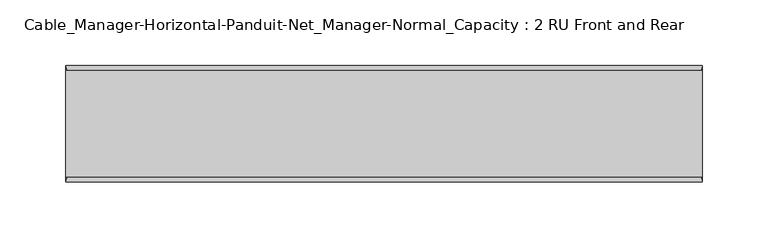
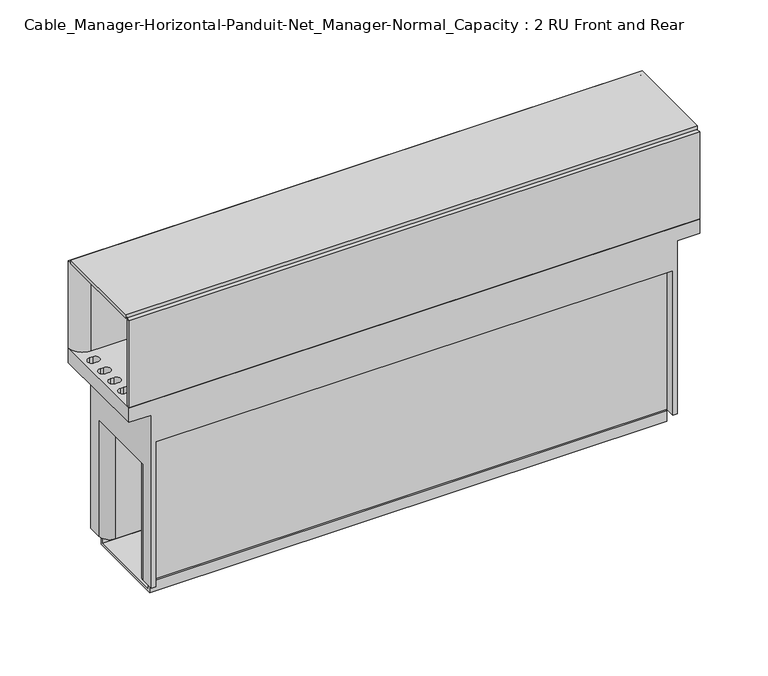
"""IFC4 building model written with IfcOpenShell, lengths in millimetres: electric appliance geometry, Cable_Manager-Horizontal-Panduit-Net_Manager-Normal_Capacity : 2 RU Front and Rear."""

from ifc_helpers import new_model, si_unit, point, frame, frame_2d, origin, place, context, project, spatial, polyline, circle_curve, trimmed, segment, composite_curve, outline, extrude, faceted_brep, source, transform, mapped, element, save
from ifc_brep_helpers import plane_surface, cylinder_surface, revolved_surface, advanced_brep


def cable_manager_horizontal_panduit_net_manager_normal_capacity_e5728ca2(model_context):
    return source(origin(), model_context, "Body", "SolidModel", [
        extrude(outline(polyline([(241.3, 18.034), (241.3, -62.484), (-241.3, -62.484), (-241.3, 18.034), (241.3, 18.034)])), frame((0.0, 0.0, 90.805), z_axis=(0.0, 0.0, 1.0), x_axis=(1.0, 0.0, 0.0)), (0.0, 0.0, 1.0), 3.175),
        advanced_brep(
        [(-241.3298424, -66.294, 0.0), (-222.2621883, -66.294, 0.0), (-222.2621883, -66.294, -154.686), (-218.5125045, -66.294, -154.686), (-218.5125045, -66.294, -50.8), (-218.5125045, -66.294, -25.4), (218.5003162, -66.294, -25.4006621), (218.5003162, -66.294, -50.8), (218.5003162, -66.294, -154.686), (222.25, -66.294, -154.686), (222.25, -66.294, 0.0), (241.3, -66.294, 0.0), (241.3, -66.294, 12.7), (-241.3298424, -66.294, 12.7), (-241.3298424, 21.844, 0.0), (-241.3298424, 21.844, 12.7), (241.3, 21.844, 12.7), (241.3, 21.844, 0.0), (222.25, 21.844, 0.0), (222.25, 21.844, -154.686), (218.5003162, 21.844, -154.686), (218.5003162, 21.844, -50.8), (218.5003162, 21.844, -25.4), (-218.5125045, 21.844, -25.4006621), (-218.5125045, 21.844, -50.8), (-218.5125045, 21.844, -154.686), (-222.2621883, 21.844, -154.686), (-222.2621883, 21.844, 0.0), (-230.9761586, -27.1145, 12.7), (-230.9761586, -34.2265, 12.7), (-234.0241586, -34.2265, 12.7), (-234.0241586, -27.1145, 12.7), (-230.9761586, -41.402, 12.7), (-230.9761586, -48.514, 12.7), (-234.0241586, -48.514, 12.7), (-234.0241586, -41.402, 12.7), (-230.9761586, 3.556, 12.7), (-230.9761586, -3.556, 12.7), (-234.0241586, -3.556, 12.7), (-234.0241586, 3.556, 12.7), (-230.9761586, -12.319, 12.7), (-230.9761586, -19.431, 12.7), (-234.0241586, -19.431, 12.7), (-234.0241586, -12.319, 12.7), (-147.9671883, -3.048, 12.7), (-71.7671883, -3.048, 12.7), (-71.7671883, -41.148, 12.7), (-147.9671883, -41.148, 12.7), (147.9428117, -41.148, 12.7), (71.7428117, -41.148, 12.7), (71.7428117, -3.048, 12.7), (147.9428117, -3.048, 12.7), (230.9761586, -34.2265, 12.7), (230.9761586, -27.1145, 12.7), (234.0241586, -27.1145, 12.7), (234.0241586, -34.2265, 12.7), (230.9761586, -48.514, 12.7), (230.9761586, -41.402, 12.7), (234.0241586, -41.402, 12.7), (234.0241586, -48.514, 12.7), (230.9761586, -3.556, 12.7), (230.9761586, 3.556, 12.7), (234.0241586, 3.556, 12.7), (234.0241586, -3.556, 12.7), (230.9761586, -19.431, 12.7), (230.9761586, -12.319, 12.7), (234.0241586, -12.319, 12.7), (234.0241586, -19.431, 12.7), (230.9761586, -27.1145, 0.0), (230.9761586, -34.2265, 0.0), (234.0241586, -34.2265, 0.0), (234.0241586, -27.1145, 0.0), (230.9761586, -41.402, 0.0), (230.9761586, -48.514, 0.0), (234.0241586, -48.514, 0.0), (234.0241586, -41.402, 0.0), (230.9761586, 3.556, 0.0), (230.9761586, -3.556, 0.0), (234.0241586, -3.556, 0.0), (234.0241586, 3.556, 0.0), (230.9761586, -12.319, 0.0), (230.9761586, -19.431, 0.0), (234.0241586, -19.431, 0.0), (234.0241586, -12.319, 0.0), (-218.5125045, -57.404, -25.4006621), (218.5003162, -57.404, -25.4006621), (218.5003162, 12.954, -25.4006621), (-218.5125045, 12.954, -25.4006621), (-213.3319978, 1.4838095, -25.4006621), (213.3198095, 1.4838095, -25.4006621), (218.5003162, 3.1400291, -25.4006621), (218.5003162, -47.5900291, -25.4006621), (213.3198095, -45.9338095, -25.4006621), (-213.3319978, -45.9338095, -25.4006621), (-218.5125045, -47.5900291, -25.4006621), (-218.5125045, 3.1400291, -25.4006621), (-71.7671883, -3.048, -25.4006621), (-147.9671883, -3.048, -25.4006621), (-147.9671883, -41.148, -25.4006621), (-71.7671883, -41.148, -25.4006621), (71.7428117, -41.148, -25.4006621), (147.9428117, -41.148, -25.4006621), (147.9428117, -3.048, -25.4006621), (71.7428117, -3.048, -25.4006621), (-222.2621883, 10.414, -154.686), (-222.2621883, 10.414, -50.8), (-222.2621883, -54.864, -50.8), (-222.2621883, -54.864, -154.686), (-230.9761586, -34.2265, 0.0), (-230.9761586, -27.1145, 0.0), (-234.0241586, -27.1145, 0.0), (-234.0241586, -34.2265, 0.0), (-230.9761586, -48.514, 0.0), (-230.9761586, -41.402, 0.0), (-234.0241586, -41.402, 0.0), (-234.0241586, -48.514, 0.0), (-230.9761586, -3.556, 0.0), (-230.9761586, 3.556, 0.0), (-234.0241586, 3.556, 0.0), (-234.0241586, -3.556, 0.0), (-230.9761586, -19.431, 0.0), (-230.9761586, -12.319, 0.0), (-234.0241586, -12.319, 0.0), (-234.0241586, -19.431, 0.0), (222.25, -54.864, -154.686), (222.25, -54.864, -50.8), (222.25, 10.414, -50.8), (222.25, 10.414, -154.686), (-218.5125045, 12.954, -154.686), (218.5003162, 12.954, -154.686), (213.3198095, 1.4838095, -154.686), (-213.3319978, 1.4838095, -154.686), (-213.3319978, -45.9338095, -154.686), (213.3198095, -45.9338095, -154.686), (218.5003162, -57.404, -154.686), (-218.5125045, -57.404, -154.686), (-218.5125045, 3.1400291, -50.8), (218.5003162, 3.1400291, -50.8), (218.5003162, 12.954, -50.8), (-218.5125045, 12.954, -50.8), (-218.5125045, -57.404, -50.8), (218.5003162, -57.404, -50.8), (218.5003162, -47.5900291, -50.8), (-218.5125045, -47.5900291, -50.8)],
        [
            (0, 1),
            (1, 2),
            (2, 3),
            (3, 4),
            (4, 5),
            (5, 6),
            (6, 7),
            (7, 8),
            (8, 9),
            (9, 10),
            (10, 11),
            (11, 12),
            (12, 13),
            (13, 0),
            (14, 15),
            (15, 16),
            (16, 17),
            (17, 18),
            (18, 19),
            (19, 20),
            (20, 21),
            (21, 22),
            (22, 23),
            (23, 24),
            (24, 25),
            (25, 26),
            (26, 27),
            (27, 14),
            (13, 15),
            (14, 0),
            (12, 16),
            (28, 29, circle_curve(frame((-230.9761586, -30.6705, 12.7), z_axis=(0.0, 0.0, -1.0), x_axis=(0.0, 1.0, 0.0)), 3.556)),
            (29, 30),
            (30, 31, circle_curve(frame((-234.0241586, -30.6705, 12.7), z_axis=(0.0, 0.0, -1.0), x_axis=(0.0, 1.0, 0.0)), 3.556)),
            (31, 28),
            (32, 33, circle_curve(frame((-230.9761586, -44.958, 12.7), z_axis=(0.0, 0.0, -1.0), x_axis=(0.0, 1.0, 0.0)), 3.556)),
            (33, 34),
            (34, 35, circle_curve(frame((-234.0241586, -44.958, 12.7), z_axis=(0.0, 0.0, -1.0), x_axis=(0.0, 1.0, 0.0)), 3.556)),
            (35, 32),
            (36, 37, circle_curve(frame((-230.9761586, 0.0, 12.7), z_axis=(0.0, 0.0, -1.0), x_axis=(0.0, 1.0, 0.0)), 3.556)),
            (37, 38),
            (38, 39, circle_curve(frame((-234.0241586, 0.0, 12.7), z_axis=(0.0, 0.0, -1.0), x_axis=(0.0, 1.0, 0.0)), 3.556)),
            (39, 36),
            (40, 41, circle_curve(frame((-230.9761586, -15.875, 12.7), z_axis=(0.0, 0.0, -1.0), x_axis=(0.0, 1.0, 0.0)), 3.556)),
            (41, 42),
            (42, 43, circle_curve(frame((-234.0241586, -15.875, 12.7), z_axis=(0.0, 0.0, -1.0), x_axis=(0.0, 1.0, 0.0)), 3.556)),
            (43, 40),
            (44, 45),
            (45, 46),
            (46, 47),
            (47, 44),
            (48, 49),
            (49, 50),
            (50, 51),
            (51, 48),
            (52, 53, circle_curve(frame((230.9761586, -30.6705, 12.7), z_axis=(0.0, 0.0, -1.0), x_axis=(0.0, 1.0, 0.0)), 3.556)),
            (53, 54),
            (54, 55, circle_curve(frame((234.0241586, -30.6705, 12.7), z_axis=(0.0, 0.0, -1.0), x_axis=(0.0, 1.0, 0.0)), 3.556)),
            (55, 52),
            (56, 57, circle_curve(frame((230.9761586, -44.958, 12.7), z_axis=(0.0, 0.0, -1.0), x_axis=(0.0, 1.0, 0.0)), 3.556)),
            (57, 58),
            (58, 59, circle_curve(frame((234.0241586, -44.958, 12.7), z_axis=(0.0, 0.0, -1.0), x_axis=(0.0, 1.0, 0.0)), 3.556)),
            (59, 56),
            (60, 61, circle_curve(frame((230.9761586, 0.0, 12.7), z_axis=(0.0, 0.0, -1.0), x_axis=(0.0, 1.0, 0.0)), 3.556)),
            (61, 62),
            (62, 63, circle_curve(frame((234.0241586, 0.0, 12.7), z_axis=(0.0, 0.0, -1.0), x_axis=(0.0, 1.0, 0.0)), 3.556)),
            (63, 60),
            (64, 65, circle_curve(frame((230.9761586, -15.875, 12.7), z_axis=(0.0, 0.0, -1.0), x_axis=(0.0, 1.0, 0.0)), 3.556)),
            (65, 66),
            (66, 67, circle_curve(frame((234.0241586, -15.875, 12.7), z_axis=(0.0, 0.0, -1.0), x_axis=(0.0, 1.0, 0.0)), 3.556)),
            (67, 64),
            (11, 17),
            (10, 18),
            (68, 69, circle_curve(frame((230.9761586, -30.6705, 0.0), z_axis=(0.0, 0.0, 1.0), x_axis=(0.0, 1.0, 0.0)), 3.556)),
            (69, 70),
            (70, 71, circle_curve(frame((234.0241586, -30.6705, 0.0), z_axis=(0.0, 0.0, 1.0), x_axis=(0.0, 1.0, 0.0)), 3.556)),
            (71, 68),
            (72, 73, circle_curve(frame((230.9761586, -44.958, 0.0), z_axis=(0.0, 0.0, 1.0), x_axis=(0.0, 1.0, 0.0)), 3.556)),
            (73, 74),
            (74, 75, circle_curve(frame((234.0241586, -44.958, 0.0), z_axis=(0.0, 0.0, 1.0), x_axis=(0.0, 1.0, 0.0)), 3.556)),
            (75, 72),
            (76, 77, circle_curve(frame((230.9761586, 0.0, 0.0), z_axis=(0.0, 0.0, 1.0), x_axis=(0.0, 1.0, 0.0)), 3.556)),
            (77, 78),
            (78, 79, circle_curve(frame((234.0241586, 0.0, 0.0), z_axis=(0.0, 0.0, 1.0), x_axis=(0.0, 1.0, 0.0)), 3.556)),
            (79, 76),
            (80, 81, circle_curve(frame((230.9761586, -15.875, 0.0), z_axis=(0.0, 0.0, 1.0), x_axis=(0.0, 1.0, 0.0)), 3.556)),
            (81, 82),
            (82, 83, circle_curve(frame((234.0241586, -15.875, 0.0), z_axis=(0.0, 0.0, 1.0), x_axis=(0.0, 1.0, 0.0)), 3.556)),
            (83, 80),
            (5, 84),
            (84, 85),
            (85, 6),
            (22, 86),
            (86, 87),
            (87, 23),
            (88, 89),
            (89, 90, circle_curve(frame((213.3198095, 10.414, -25.4006621), z_axis=(0.0, 0.0, 1.0), x_axis=(1.0, 0.0, 0.0)), 8.9301905)),
            (90, 91),
            (91, 92, circle_curve(frame((213.3198095, -54.864, -25.4006621), z_axis=(0.0, 0.0, 1.0), x_axis=(1.0, 0.0, 0.0)), 8.9301905)),
            (92, 93),
            (93, 94, circle_curve(frame((-213.3319978, -54.864, -25.4006621), z_axis=(0.0, 0.0, 1.0), x_axis=(1.0, 0.0, 0.0)), 8.9301905)),
            (94, 95),
            (95, 88, circle_curve(frame((-213.3319978, 10.414, -25.4006621), z_axis=(0.0, 0.0, 1.0), x_axis=(1.0, 0.0, 0.0)), 8.9301905)),
            (96, 97),
            (97, 98),
            (98, 99),
            (99, 96),
            (100, 101),
            (101, 102),
            (102, 103),
            (103, 100),
            (1, 27),
            (26, 104),
            (104, 105),
            (105, 106),
            (106, 107),
            (107, 2),
            (108, 109, circle_curve(frame((-230.9761586, -30.6705, 0.0), z_axis=(0.0, 0.0, 1.0), x_axis=(0.0, 1.0, 0.0)), 3.556)),
            (109, 110),
            (110, 111, circle_curve(frame((-234.0241586, -30.6705, 0.0), z_axis=(0.0, 0.0, 1.0), x_axis=(0.0, 1.0, 0.0)), 3.556)),
            (111, 108),
            (112, 113, circle_curve(frame((-230.9761586, -44.958, 0.0), z_axis=(0.0, 0.0, 1.0), x_axis=(0.0, 1.0, 0.0)), 3.556)),
            (113, 114),
            (114, 115, circle_curve(frame((-234.0241586, -44.958, 0.0), z_axis=(0.0, 0.0, 1.0), x_axis=(0.0, 1.0, 0.0)), 3.556)),
            (115, 112),
            (116, 117, circle_curve(frame((-230.9761586, 0.0, 0.0), z_axis=(0.0, 0.0, 1.0), x_axis=(0.0, 1.0, 0.0)), 3.556)),
            (117, 118),
            (118, 119, circle_curve(frame((-234.0241586, 0.0, 0.0), z_axis=(0.0, 0.0, 1.0), x_axis=(0.0, 1.0, 0.0)), 3.556)),
            (119, 116),
            (120, 121, circle_curve(frame((-230.9761586, -15.875, 0.0), z_axis=(0.0, 0.0, 1.0), x_axis=(0.0, 1.0, 0.0)), 3.556)),
            (121, 122),
            (122, 123, circle_curve(frame((-234.0241586, -15.875, 0.0), z_axis=(0.0, 0.0, 1.0), x_axis=(0.0, 1.0, 0.0)), 3.556)),
            (123, 120),
            (9, 124),
            (124, 125),
            (125, 126),
            (126, 127),
            (127, 19),
            (108, 29),
            (28, 109),
            (111, 30),
            (110, 31),
            (112, 33),
            (32, 113),
            (115, 34),
            (114, 35),
            (116, 37),
            (36, 117),
            (119, 38),
            (118, 39),
            (120, 41),
            (40, 121),
            (123, 42),
            (122, 43),
            (96, 45),
            (44, 97),
            (47, 98),
            (46, 99),
            (100, 49),
            (48, 101),
            (103, 50),
            (102, 51),
            (68, 53),
            (52, 69),
            (55, 70),
            (54, 71),
            (72, 57),
            (56, 73),
            (59, 74),
            (58, 75),
            (76, 61),
            (60, 77),
            (63, 78),
            (62, 79),
            (80, 65),
            (64, 81),
            (67, 82),
            (66, 83),
            (25, 128),
            (128, 129),
            (129, 20),
            (127, 130, circle_curve(frame((213.3198095, 10.414, -154.686), z_axis=(0.0, 0.0, -1.0), x_axis=(1.0, 0.0, 0.0)), 8.9301905)),
            (130, 131),
            (131, 104, circle_curve(frame((-213.3319978, 10.414, -154.686), z_axis=(0.0, 0.0, -1.0), x_axis=(1.0, 0.0, 0.0)), 8.9301905)),
            (107, 132, circle_curve(frame((-213.3319978, -54.864, -154.686), z_axis=(0.0, 0.0, -1.0), x_axis=(1.0, 0.0, 0.0)), 8.9301905)),
            (132, 133),
            (133, 124, circle_curve(frame((213.3198095, -54.864, -154.686), z_axis=(0.0, 0.0, -1.0), x_axis=(1.0, 0.0, 0.0)), 8.9301905)),
            (8, 134),
            (134, 135),
            (135, 3),
            (131, 88),
            (95, 136),
            (136, 105, circle_curve(frame((-213.3319978, 10.414, -50.8), z_axis=(0.0, 0.0, -1.0), x_axis=(1.0, 0.0, 0.0)), 8.9301905)),
            (130, 89),
            (126, 137, circle_curve(frame((213.3198095, 10.414, -50.8), z_axis=(0.0, 0.0, -1.0), x_axis=(1.0, 0.0, 0.0)), 8.9301905)),
            (137, 90),
            (129, 138),
            (138, 86),
            (128, 139),
            (139, 87),
            (135, 140),
            (140, 84),
            (134, 141),
            (141, 85),
            (133, 92),
            (91, 142),
            (142, 125, circle_curve(frame((213.3198095, -54.864, -50.8), z_axis=(0.0, 0.0, -1.0), x_axis=(1.0, 0.0, 0.0)), 8.9301905)),
            (132, 93),
            (106, 143, circle_curve(frame((-213.3319978, -54.864, -50.8), z_axis=(0.0, 0.0, -1.0), x_axis=(1.0, 0.0, 0.0)), 8.9301905)),
            (143, 94),
            (136, 143),
            (142, 137),
        ],
        [
            plane_surface(frame((-241.3298424, -66.294, 12.7), z_axis=(0.0, -1.0, 0.0), x_axis=(0.0, 0.0, -1.0))),
            plane_surface(frame((-241.3298424, 21.844, 12.7), z_axis=(0.0, 1.0, 0.0), x_axis=(0.0, 0.0, 1.0))),
            plane_surface(frame((-241.3298424, 21.844, 0.0), z_axis=(-1.0, 0.0, 0.0), x_axis=(0.0, -1.0, 0.0))),
            plane_surface(frame((-241.3298424, 21.844, 12.7), z_axis=(0.0, 0.0, 1.0), x_axis=(0.0, -1.0, 0.0))),
            plane_surface(frame((241.3, 21.844, 12.7), z_axis=(1.0, 0.0, 0.0), x_axis=(0.0, -1.0, 0.0))),
            plane_surface(frame((241.3, 21.844, 0.0), z_axis=(0.0, 0.0, -1.0), x_axis=(0.0, -1.0, 0.0))),
            plane_surface(frame((222.25, 21.844, -25.4006621), z_axis=(0.0, 0.0, -1.0), x_axis=(0.0, -1.0, 0.0))),
            plane_surface(frame((-222.2621883, 21.844, -25.4006621), z_axis=(-1.0, 0.0, 0.0), x_axis=(0.0, -1.0, 0.0))),
            plane_surface(frame((-222.2621883, 21.844, 0.0), z_axis=(0.0, 0.0, -1.0), x_axis=(0.0, -1.0, 0.0))),
            plane_surface(frame((222.25, 21.844, 0.0), z_axis=(1.0, 0.0, 0.0), x_axis=(0.0, -1.0, 0.0))),
            revolved_surface(polyline([(-230.9761586, -27.1145, 12.7), (-230.9761586, -27.1145, 0.0)]), (-230.9761586, -30.6705, 0.0), (0.0, 0.0, 1.0)),
            plane_surface(frame((-234.0241586, -34.2265, 36.3076804), z_axis=(0.0, 1.0, 0.0), x_axis=(0.0, 0.0, -1.0))),
            revolved_surface(polyline([(-234.0241586, -27.1145, 12.7), (-234.0241586, -27.1145, 0.0)]), (-234.0241586, -30.6705, 0.0), (0.0, 0.0, 1.0)),
            plane_surface(frame((-230.9761586, -27.1145, 36.3076804), z_axis=(0.0, -1.0, 0.0), x_axis=(0.0, 0.0, -1.0))),
            revolved_surface(polyline([(-230.9761586, -41.402, 12.7), (-230.9761586, -41.402, 0.0)]), (-230.9761586, -44.958, 12.7), (0.0, 0.0, 1.0)),
            plane_surface(frame((-234.0241586, -48.514, 36.3076804), z_axis=(0.0, 1.0, 0.0), x_axis=(0.0, 0.0, -1.0))),
            revolved_surface(polyline([(-234.0241586, -41.402, 12.7), (-234.0241586, -41.402, 0.0)]), (-234.0241586, -44.958, 12.7), (0.0, 0.0, 1.0)),
            plane_surface(frame((-230.9761586, -41.402, 36.3076804), z_axis=(0.0, -1.0, 0.0), x_axis=(0.0, 0.0, -1.0))),
            revolved_surface(polyline([(-230.9761586, 3.556, 12.7), (-230.9761586, 3.556, 0.0)]), (-230.9761586, 0.0, 12.7), (0.0, 0.0, 1.0)),
            plane_surface(frame((-234.0241586, -3.556, 36.3076804), z_axis=(0.0, 1.0, 0.0), x_axis=(0.0, 0.0, -1.0))),
            revolved_surface(polyline([(-234.0241586, 3.556, 12.7), (-234.0241586, 3.556, 0.0)]), (-234.0241586, 0.0, 12.7), (0.0, 0.0, 1.0)),
            plane_surface(frame((-230.9761586, 3.556, 36.3076804), z_axis=(0.0, -1.0, 0.0), x_axis=(0.0, 0.0, -1.0))),
            revolved_surface(polyline([(-230.9761586, -12.318999999999999, 12.7), (-230.9761586, -12.318999999999999, 0.0)]), (-230.9761586, -15.875, 12.7), (0.0, 0.0, 1.0)),
            plane_surface(frame((-234.0241586, -19.431, 36.3076804), z_axis=(0.0, 1.0, 0.0), x_axis=(0.0, 0.0, -1.0))),
            revolved_surface(polyline([(-234.0241586, -12.318999999999999, 12.7), (-234.0241586, -12.318999999999999, 0.0)]), (-234.0241586, -15.875, 12.7), (0.0, 0.0, 1.0)),
            plane_surface(frame((-230.9761586, -12.319, 36.3076804), z_axis=(0.0, -1.0, 0.0), x_axis=(0.0, 0.0, -1.0))),
            plane_surface(frame((-71.7671883, -3.048, 27.1220417), z_axis=(0.0, -1.0, 0.0), x_axis=(0.0, 0.0, -1.0))),
            plane_surface(frame((-147.9671883, -3.048, 27.1220417), z_axis=(1.0, 0.0, 0.0), x_axis=(0.0, 0.0, -1.0))),
            plane_surface(frame((-147.9671883, -41.148, 27.1220417), z_axis=(0.0, 1.0, 0.0), x_axis=(0.0, 0.0, -1.0))),
            plane_surface(frame((-71.7671883, -41.148, 27.1220417), z_axis=(-1.0, 0.0, 0.0), x_axis=(0.0, 0.0, -1.0))),
            plane_surface(frame((71.7428117, -41.148, 27.1220417), z_axis=(0.0, 1.0, 0.0), x_axis=(0.0, 0.0, -1.0))),
            plane_surface(frame((71.7428117, -3.048, 27.1220417), z_axis=(1.0, 0.0, 0.0), x_axis=(0.0, 0.0, -1.0))),
            plane_surface(frame((147.9428117, -3.048, 27.1220417), z_axis=(0.0, -1.0, 0.0), x_axis=(0.0, 0.0, -1.0))),
            plane_surface(frame((147.9428117, -41.148, 27.1220417), z_axis=(-1.0, 0.0, 0.0), x_axis=(0.0, 0.0, -1.0))),
            revolved_surface(polyline([(230.9761586, -27.1145, 12.7), (230.9761586, -27.1145, 0.0)]), (230.9761586, -30.6705, 12.7), (0.0, 0.0, 1.0)),
            plane_surface(frame((230.9761586, -34.2265, 36.3076804), z_axis=(0.0, 1.0, 0.0), x_axis=(0.0, 0.0, -1.0))),
            revolved_surface(polyline([(234.0241586, -27.1145, 12.7), (234.0241586, -27.1145, 0.0)]), (234.0241586, -30.6705, 12.7), (0.0, 0.0, 1.0)),
            plane_surface(frame((234.0241586, -27.1145, 36.3076804), z_axis=(0.0, -1.0, 0.0), x_axis=(0.0, 0.0, -1.0))),
            revolved_surface(polyline([(230.9761586, -41.402, 12.7), (230.9761586, -41.402, 0.0)]), (230.9761586, -44.958, 12.7), (0.0, 0.0, 1.0)),
            plane_surface(frame((230.9761586, -48.514, 36.3076804), z_axis=(0.0, 1.0, 0.0), x_axis=(0.0, 0.0, -1.0))),
            revolved_surface(polyline([(234.0241586, -41.402, 12.7), (234.0241586, -41.402, 0.0)]), (234.0241586, -44.958, 12.7), (0.0, 0.0, 1.0)),
            plane_surface(frame((234.0241586, -41.402, 36.3076804), z_axis=(0.0, -1.0, 0.0), x_axis=(0.0, 0.0, -1.0))),
            revolved_surface(polyline([(230.9761586, 3.556, 12.7), (230.9761586, 3.556, 0.0)]), (230.9761586, 0.0, 12.7), (0.0, 0.0, 1.0)),
            plane_surface(frame((230.9761586, -3.556, 36.3076804), z_axis=(0.0, 1.0, 0.0), x_axis=(0.0, 0.0, -1.0))),
            revolved_surface(polyline([(234.0241586, 3.556, 12.7), (234.0241586, 3.556, 0.0)]), (234.0241586, 0.0, 12.7), (0.0, 0.0, 1.0)),
            plane_surface(frame((234.0241586, 3.556, 36.3076804), z_axis=(0.0, -1.0, 0.0), x_axis=(0.0, 0.0, -1.0))),
            revolved_surface(polyline([(230.9761586, -12.318999999999999, 12.7), (230.9761586, -12.318999999999999, 0.0)]), (230.9761586, -15.875, 12.7), (0.0, 0.0, 1.0)),
            plane_surface(frame((230.9761586, -19.431, 36.3076804), z_axis=(0.0, 1.0, 0.0), x_axis=(0.0, 0.0, -1.0))),
            revolved_surface(polyline([(234.0241586, -12.318999999999999, 12.7), (234.0241586, -12.318999999999999, 0.0)]), (234.0241586, -15.875, 12.7), (0.0, 0.0, 1.0)),
            plane_surface(frame((234.0241586, -12.319, 36.3076804), z_axis=(0.0, -1.0, 0.0), x_axis=(0.0, 0.0, -1.0))),
            plane_surface(frame((-204.4018073, 10.414, -154.686), z_axis=(0.0, 0.0, -1.0), x_axis=(0.0, -1.0, 0.0))),
            cylinder_surface(frame((-213.3319978, 10.414, -154.686), z_axis=(0.0, 0.0, 1.0), x_axis=(1.0, 0.0, 0.0)), 8.9301905),
            plane_surface(frame((-213.3319978, 1.4838095, -25.4), z_axis=(0.0, -1.0, 0.0), x_axis=(0.0, 0.0, -1.0))),
            cylinder_surface(frame((213.3198095, 10.414, -154.686), z_axis=(0.0, 0.0, 1.0), x_axis=(1.0, 0.0, 0.0)), 8.9301905),
            plane_surface(frame((218.5003162, 21.844, -25.4), z_axis=(-1.0, 0.0, 0.0), x_axis=(0.0, 0.0, -1.0))),
            plane_surface(frame((218.5003162, 12.954, -25.4), z_axis=(0.0, 1.0, 0.0), x_axis=(0.0, 0.0, -1.0))),
            plane_surface(frame((-218.5125045, 12.954, -25.4), z_axis=(1.0, 0.0, 0.0), x_axis=(0.0, 0.0, -1.0))),
            plane_surface(frame((-218.5125045, -66.294, -25.4), z_axis=(1.0, 0.0, 0.0), x_axis=(0.0, 0.0, -1.0))),
            plane_surface(frame((-218.5125045, -57.404, -25.4), z_axis=(0.0, -1.0, 0.0), x_axis=(0.0, 0.0, -1.0))),
            plane_surface(frame((218.5003162, -57.404, -25.4), z_axis=(-1.0, 0.0, 0.0), x_axis=(0.0, 0.0, -1.0))),
            cylinder_surface(frame((213.3198095, -54.864, 0.0), z_axis=(0.0, 0.0, 1.0), x_axis=(1.0, 0.0, 0.0)), 8.9301905),
            plane_surface(frame((213.3198095, -45.9338095, -25.4), z_axis=(0.0, 1.0, 0.0), x_axis=(0.0, 0.0, -1.0))),
            cylinder_surface(frame((-213.3319978, -54.864, 0.0), z_axis=(0.0, 0.0, 1.0), x_axis=(1.0, 0.0, 0.0)), 8.9301905),
            plane_surface(frame((-222.2621883, -66.294, -50.8), z_axis=(0.0, 0.0, -1.0), x_axis=(-1.0, 0.0, 0.0))),
        ],
        [
            (0, [[1, 2, 3, 4, 5, 6, 7, 8, 9, 10, 11, 12, 13, 14]]),
            (1, [[15, 16, 17, 18, 19, 20, 21, 22, 23, 24, 25, 26, 27, 28]]),
            (2, [[-14, 29, -15, 30]]),
            (3, [[-13, 31, -16, -29], [32, 33, 34, 35], [36, 37, 38, 39], [40, 41, 42, 43], [44, 45, 46, 47], [48, 49, 50, 51], [52, 53, 54, 55], [56, 57, 58, 59], [60, 61, 62, 63], [64, 65, 66, 67], [68, 69, 70, 71]]),
            (4, [[-12, 72, -17, -31]]),
            (5, [[-11, 73, -18, -72], [74, 75, 76, 77], [78, 79, 80, 81], [82, 83, 84, 85], [86, 87, 88, 89]]),
            (6, [[-6, 90, 91, 92]]),
            (6, [[-23, 93, 94, 95]]),
            (6, [[96, 97, 98, 99, 100, 101, 102, 103], [104, 105, 106, 107], [108, 109, 110, 111]]),
            (7, [[112, -27, 113, 114, 115, 116, 117, -2]]),
            (8, [[-1, -30, -28, -112], [118, 119, 120, 121], [122, 123, 124, 125], [126, 127, 128, 129], [130, 131, 132, 133]]),
            (9, [[-73, -10, 134, 135, 136, 137, 138, -19]]),
            (10, [[139, -32, 140, -118]]),
            (11, [[-139, -121, 141, -33]]),
            (12, [[-141, -120, 142, -34]]),
            (13, [[-142, -119, -140, -35]]),
            (14, [[143, -36, 144, -122]]),
            (15, [[-143, -125, 145, -37]]),
            (16, [[-145, -124, 146, -38]]),
            (17, [[-146, -123, -144, -39]]),
            (18, [[147, -40, 148, -126]]),
            (19, [[-147, -129, 149, -41]]),
            (20, [[-149, -128, 150, -42]]),
            (21, [[-150, -127, -148, -43]]),
            (22, [[151, -44, 152, -130]]),
            (23, [[-151, -133, 153, -45]]),
            (24, [[-153, -132, 154, -46]]),
            (25, [[-154, -131, -152, -47]]),
            (26, [[155, -48, 156, -104]]),
            (27, [[-156, -51, 157, -105]]),
            (28, [[-157, -50, 158, -106]]),
            (29, [[-155, -107, -158, -49]]),
            (30, [[159, -52, 160, -108]]),
            (31, [[-159, -111, 161, -53]]),
            (32, [[-161, -110, 162, -54]]),
            (33, [[-162, -109, -160, -55]]),
            (34, [[163, -56, 164, -74]]),
            (35, [[-164, -59, 165, -75]]),
            (36, [[-165, -58, 166, -76]]),
            (37, [[-163, -77, -166, -57]]),
            (38, [[167, -60, 168, -78]]),
            (39, [[-168, -63, 169, -79]]),
            (40, [[-169, -62, 170, -80]]),
            (41, [[-167, -81, -170, -61]]),
            (42, [[171, -64, 172, -82]]),
            (43, [[-172, -67, 173, -83]]),
            (44, [[-173, -66, 174, -84]]),
            (45, [[-171, -85, -174, -65]]),
            (46, [[175, -68, 176, -86]]),
            (47, [[-176, -71, 177, -87]]),
            (48, [[-177, -70, 178, -88]]),
            (49, [[-175, -89, -178, -69]]),
            (50, [[-113, -26, 179, 180, 181, -20, -138, 182, 183, 184]]),
            (50, [[-117, 185, 186, 187, -134, -9, 188, 189, 190, -3]]),
            (51, [[-184, 191, -103, 192, 193, -114]]),
            (52, [[-183, 194, -96, -191]]),
            (53, [[-182, -137, 195, 196, -97, -194]]),
            (54, [[-181, 197, 198, -93, -22, -21]]),
            (55, [[-180, 199, 200, -94, -198, -197]]),
            (56, [[-179, -25, -24, -95, -200, -199]]),
            (57, [[-190, 201, 202, -90, -5, -4]]),
            (58, [[-189, 203, 204, -91, -202, -201]]),
            (59, [[-188, -8, -7, -92, -204, -203]]),
            (60, [[-187, 205, -99, 206, 207, -135]]),
            (61, [[-186, 208, -100, -205]]),
            (62, [[-185, -116, 209, 210, -101, -208]]),
            (63, [[-115, -193, 211, -209]]),
            (63, [[-136, -207, 212, -195]]),
            (57, [[-211, -192, -102, -210]]),
            (54, [[-212, -206, -98, -196]]),
        ],
    ),
        faceted_brep([(218.5003162, 13.3460248, -165.1), (218.5003162, 13.3460248, -155.6987016), (218.5003162, 11.49878, -155.6987016), (218.5003162, 11.49878, -163.2476324), (218.5003162, -55.9440567, -163.2476324), (218.5003162, -55.9440567, -155.6987016), (218.5003162, -57.7847044, -155.6987016), (218.5003162, -57.7847044, -165.1), (-218.5125045, 13.3460248, -165.1), (-218.5125045, -57.7847044, -165.1), (-218.5125045, -57.7847044, -155.6987016), (-218.5125045, -55.9440567, -155.6987016), (-218.5125045, -55.9440567, -163.2476324), (-218.5125045, 11.49878, -163.2476324), (-218.5125045, 11.49878, -155.6987016), (-218.5125045, 13.3460248, -155.6987016)], [[[0, 1, 2, 3, 4, 5, 6, 7]], [[8, 9, 10, 11, 12, 13, 14, 15]], [[3, 2, 14, 13]], [[4, 3, 13, 12]], [[5, 4, 12, 11]], [[7, 6, 10, 9]], [[0, 7, 9, 8]], [[1, 0, 8, 15]], [[2, 1, 15, 14]], [[6, 5, 11, 10]]]),
        extrude(outline(composite_curve([segment(trimmed(circle_curve(frame_2d((228.6596848, 23.0738095)), 12.7), [point((241.3, 21.844))], [point((228.6596848, 10.3738095))], False, "CARTESIAN"), True, "CONTINUOUS"), segment(polyline([(228.6596848, 10.3738095), (-228.6596848, 10.3738095)]), True, "CONTINUOUS"), segment(trimmed(circle_curve(frame_2d((-228.6596848, 23.0738095)), 12.7), [point((-228.6596848, 10.3738095))], [point((-241.3, 21.844))], False, "CARTESIAN"), True, "CONTINUOUS"), segment(polyline([(-241.3, 21.844), (241.3, 21.844)]), True, "CONTINUOUS")], self_intersect=False)), frame((0.0, 0.0, 12.7), z_axis=(0.0, 0.0, 1.0), x_axis=(1.0, 0.0, 0.0)), (0.0, 0.0, 1.0), 78.105),
        extrude(outline(composite_curve([segment(polyline([(241.3047284, -66.294), (-241.3047284, -66.294)]), True, "CONTINUOUS"), segment(trimmed(circle_curve(frame_2d((-228.6596848, -67.4742001)), 12.7), [point((-241.3047284, -66.294))], [point((-228.6596848, -54.7742001))], False, "CARTESIAN"), True, "CONTINUOUS"), segment(polyline([(-228.6596848, -54.7742001), (228.6596848, -54.7742001)]), True, "CONTINUOUS"), segment(trimmed(circle_curve(frame_2d((228.6596848, -67.4742001)), 12.7), [point((228.6596848, -54.7742001))], [point((241.3047284, -66.294))], False, "CARTESIAN"), True, "CONTINUOUS")], self_intersect=False)), frame((0.0, 0.0, 12.7), z_axis=(0.0, 0.0, 1.0), x_axis=(1.0, 0.0, 0.0)), (0.0, 0.0, 1.0), 78.105),
    ])


if __name__ == "__main__":
    model = new_model("IFC4")
    model_context = context("Model", 3, world=origin())
    ifc_project = project(units=[si_unit("LENGTHUNIT", "METRE", prefix="MILLI")], contexts=[model_context])
    site = spatial("IfcSite", under=ifc_project)
    building = spatial("IfcBuilding", under=site)
    placement = place(None, origin())
    cable_manager_horizontal_panduit_net_manager_normal_capacity_shape = cable_manager_horizontal_panduit_net_manager_normal_capacity_e5728ca2(model_context)
    element("IfcElectricAppliance", 1, ObjectType="Cable_Manager-Horizontal-Panduit-Net_Manager-Normal_Capacity : 2 RU Front and Rear", at=placement, inside=building, context=model_context, shape_type="MappedRepresentation", body=[
        mapped(cable_manager_horizontal_panduit_net_manager_normal_capacity_shape, transform((0.0, 0.0, 0.0), x_axis=(1.0, 0.0, 0.0), y_axis=(0.0, 1.0, 0.0), z_axis=(0.0, 0.0, 1.0))),
    ])
    save(model, "model.ifc")
